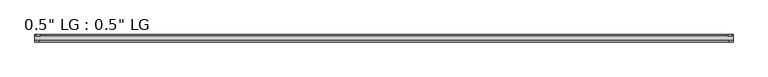
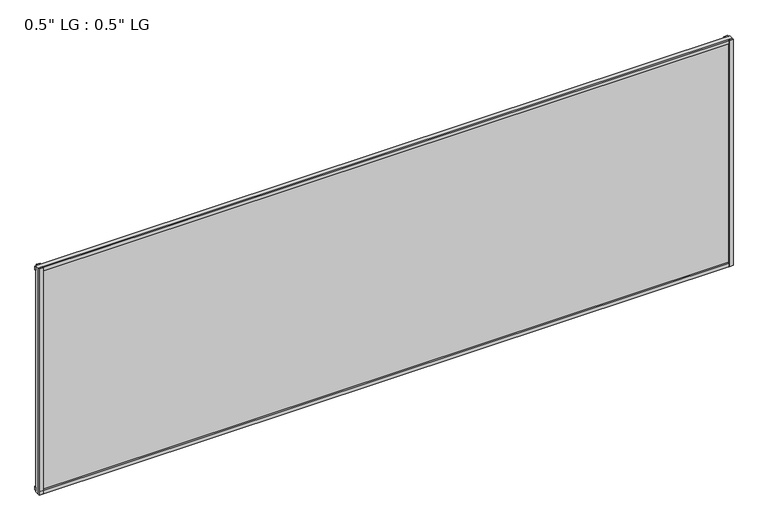
"""IFC4 building model written with IfcOpenShell, lengths in millimetres: plate geometry."""

from ifc_helpers import new_model, si_unit, frame, origin, origin_with_axes, place, context, project, spatial, polyline, outline, extrude, source, transform, mapped, element, save


def plate_c9edb824(model_context):
    return source(origin(), model_context, "Body", "SweptSolid", [
        extrude(outline(polyline([(1080.7898438, -33.3271813), (1080.7898438, -38.0007813), (1068.6521642, -38.0007813), (1068.6521642, -33.3271813), (1080.7898438, -33.3271813)])), origin_with_axes(), (0.0, 0.0, 1.0), 744.6980689),
        extrude(outline(polyline([(1077.2584901, -15.5217813), (1077.2584901, -19.7127813), (1065.2460662, -19.7127813), (1065.2460662, -15.5217813), (1077.2584901, -15.5217813)])), origin_with_axes(), (0.0, 0.0, 1.0), 744.6980689),
        extrude(outline(polyline([(-1068.4992658, -38.0007812), (-1080.7898438, -38.0007812), (-1080.7898438, -33.3271813), (-1068.4992658, -33.3271813), (-1068.4992658, -38.0007812)])), origin_with_axes(), (0.0, 0.0, 1.0), 744.6980689),
        extrude(outline(polyline([(-1064.5400278, -19.7127813), (-1076.8306058, -19.7127813), (-1076.8306058, -15.5217812), (-1064.5400278, -15.5217812), (-1064.5400278, -19.7127813)])), origin_with_axes(), (0.0, 0.0, 1.0), 744.6980689),
        extrude(outline(polyline([(1080.7898438, -33.3271813), (1080.7898438, -38.0007813), (-1080.7898438, -38.0007812), (-1080.7898438, -33.3271812), (1080.7898438, -33.3271813)])), origin_with_axes(), (0.0, 0.0, 1.0), 11.1693096),
        extrude(outline(polyline([(1080.7898438, -15.3590708), (1080.7898438, -20.1364307), (-1080.7898438, -20.1364307), (-1080.7898438, -15.3590708), (1080.7898438, -15.3590708)])), frame((0.0, 0.0, 3.848913), z_axis=(0.0, 0.0, 1.0), x_axis=(1.0, 0.0, 0.0)), (0.0, 0.0, 1.0), 11.1693096),
        extrude(outline(polyline([(1080.7898438, -33.3271813), (1080.7898438, -38.0007813), (-1080.7898438, -38.0007812), (-1080.7898438, -33.3271812), (1080.7898438, -33.3271813)])), frame((0.0, 0.0, 733.516963), z_axis=(0.0, 0.0, 1.0), x_axis=(1.0, 0.0, 0.0)), (0.0, 0.0, 1.0), 11.1811058),
        extrude(outline(polyline([(1080.7898438, -15.5217813), (1080.7898438, -19.7127813), (-1080.7898438, -19.7127812), (-1080.7898438, -15.5217812), (1080.7898438, -15.5217813)])), frame((0.0, 0.0, 728.9578163), z_axis=(0.0, 0.0, 1.0), x_axis=(1.0, 0.0, 0.0)), (0.0, 0.0, 1.0), 11.1811058),
        extrude(outline(polyline([(1080.7898438, -33.3271812), (-1080.7898437, -33.3271812), (-1080.7898437, -19.7127812), (1080.7898438, -19.7127812), (1080.7898438, -33.3271812)])), origin_with_axes(), (0.0, 0.0, 1.0), 744.6980689),
    ])


if __name__ == "__main__":
    model = new_model("IFC4")
    model_context = context("Model", 3, world=origin())
    ifc_project = project(units=[si_unit("LENGTHUNIT", "METRE", prefix="MILLI")], contexts=[model_context])
    site = spatial("IfcSite", under=ifc_project)
    building = spatial("IfcBuilding", under=site)
    placement = place(None, origin())
    plate_shape = plate_c9edb824(model_context)
    element("IfcPlate", 1, ObjectType="0.5\" LG : 0.5\" LG", at=placement, inside=building, context=model_context, shape_type="MappedRepresentation", body=[
        mapped(plate_shape, transform((0.0, 0.0, 0.0), x_axis=(1.0, 0.0, 0.0), y_axis=(0.0, 1.0, 0.0), z_axis=(0.0, 0.0, 1.0))),
    ])
    save(model, "model.ifc")
